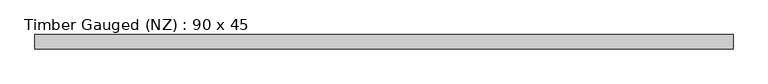
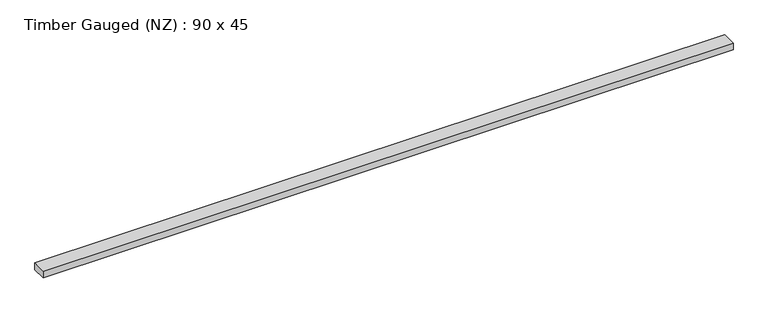
"""IFC4 building model written with IfcOpenShell, lengths in millimetres: beam geometry, Timber Gauged (NZ) : 90 x 45."""

from ifc_helpers import new_model, si_unit, frame, origin, place, context, project, spatial, polyline, outline, extrude, source, transform, mapped, element, save


def timber_gauged_nz_90_x_45_bb61d87a(model_context):
    return source(origin(), model_context, "Body", "SweptSolid", [
        extrude(outline(polyline([(2189.4543179, 45.0), (2189.4543179, -45.0), (-2145.3886477, -45.0), (-2145.3886477, 45.0), (2189.4543179, 45.0)])), frame((0.0, 0.0, -22.5), z_axis=(0.0, 0.0, 1.0), x_axis=(1.0, 0.0, 0.0)), (0.0, 0.0, 1.0), 45.0),
    ])


if __name__ == "__main__":
    model = new_model("IFC4")
    model_context = context("Model", 3, world=origin())
    ifc_project = project(units=[si_unit("LENGTHUNIT", "METRE", prefix="MILLI")], contexts=[model_context])
    site = spatial("IfcSite", under=ifc_project)
    building = spatial("IfcBuilding", under=site)
    placement = place(None, origin())
    timber_gauged_nz_90_x_45_shape = timber_gauged_nz_90_x_45_bb61d87a(model_context)
    element("IfcBeam", 1, ObjectType="Timber Gauged (NZ) : 90 x 45", at=placement, inside=building, context=model_context, shape_type="MappedRepresentation", body=[
        mapped(timber_gauged_nz_90_x_45_shape, transform((0.0, 0.0, 0.0), x_axis=(1.0, 0.0, 0.0), y_axis=(0.0, 1.0, 0.0), z_axis=(0.0, 0.0, 1.0))),
    ])
    save(model, "model.ifc")
